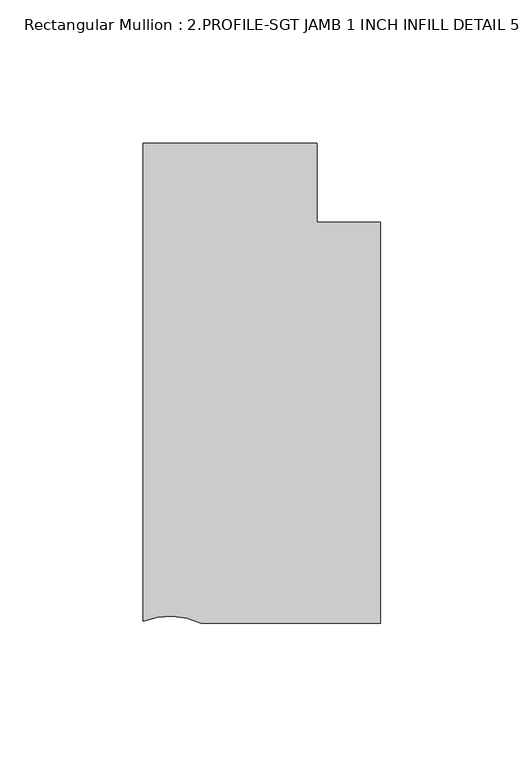
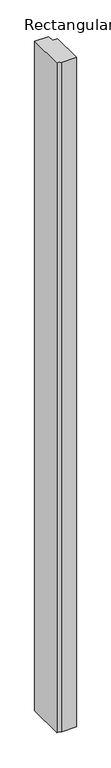
"""IFC4 building model written with IfcOpenShell, lengths in millimetres: member geometry, Rectangular Mullion : 2.PROFILE-SGT JAMB 1 INCH INFILL DETAIL 5."""

from ifc_helpers import new_model, si_unit, point, frame, frame_2d, origin, place, context, project, spatial, polyline, circle_curve, trimmed, segment, composite_curve, outline, extrude, source, transform, mapped, element, save


def rectangular_mullion_2_profile_sgt_jamb_1_inch_infill_detail_885ee243(model_context):
    return source(origin(), model_context, "Body", "SweptSolid", [
        extrude(outline(composite_curve([segment(trimmed(circle_curve(frame_2d((-73.5335869, -108.1494966)), 25.0354275), [point((-62.6705488, -85.5936319))], [point((-82.7668749, -84.8789353))], True, "CARTESIAN"), True, "CONTINUOUS"), segment(polyline([(-82.7668749, -84.8789353), (-82.7668749, 81.6658299), (-22.2248868, 81.6658299), (-22.2248868, 54.1063631), (0.0, 54.1063631), (0.0, -85.5936319), (-62.6705488, -85.5936319)]), True, "CONTINUOUS")], self_intersect=False)), frame((0.0, 0.0, -3048.0), z_axis=(0.0, 0.0, 1.0), x_axis=(1.0, 0.0, 0.0)), (0.0, 0.0, 1.0), 3048.0),
    ])


if __name__ == "__main__":
    model = new_model("IFC4")
    model_context = context("Model", 3, world=origin())
    ifc_project = project(units=[si_unit("LENGTHUNIT", "METRE", prefix="MILLI")], contexts=[model_context])
    site = spatial("IfcSite", under=ifc_project)
    building = spatial("IfcBuilding", under=site)
    placement = place(None, origin())
    rectangular_mullion_2_profile_sgt_jamb_1_inch_infill_detail_shape = rectangular_mullion_2_profile_sgt_jamb_1_inch_infill_detail_885ee243(model_context)
    element("IfcMember", 1, ObjectType="Rectangular Mullion : 2.PROFILE-SGT JAMB 1 INCH INFILL DETAIL 5", at=placement, inside=building, context=model_context, shape_type="MappedRepresentation", body=[
        mapped(rectangular_mullion_2_profile_sgt_jamb_1_inch_infill_detail_shape, transform((0.0, 0.0, 0.0), x_axis=(1.0, 0.0, 0.0), y_axis=(0.0, 1.0, 0.0), z_axis=(0.0, 0.0, 1.0))),
    ])
    save(model, "model.ifc")
